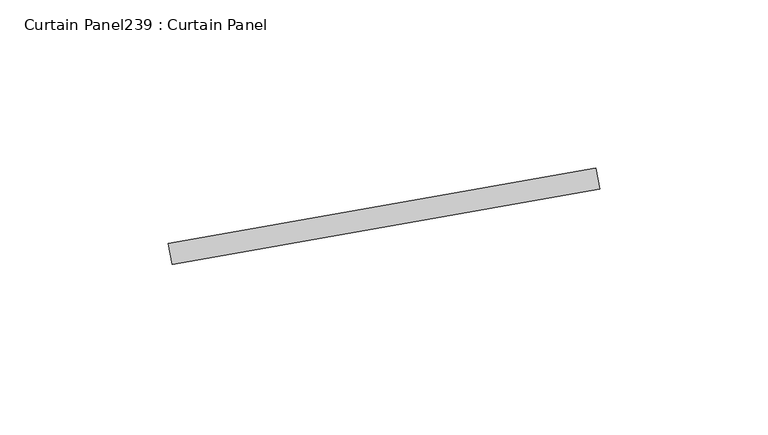
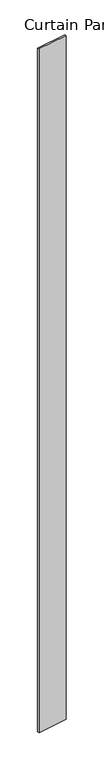
"""IFC4 building model written with IfcOpenShell, lengths in millimetres: plate geometry, Curtain Panel239 : Curtain Panel."""

from ifc_helpers import new_model, si_unit, frame, origin, place, context, project, spatial, polyline, outline, extrude, source, transform, mapped, element, save


def curtain_panel239_curtain_panel_710e1646(model_context):
    return source(origin(), model_context, "Body", "SweptSolid", [
        extrude(outline(polyline([(646662.3287302, 2141.9317693), (646789.2204826, 2164.3062089), (646790.3231486, 2158.0526796), (646663.4313962, 2135.67824), (646662.3287302, 2141.9317693)])), frame((0.0, 0.0, 4959.7989371), z_axis=(0.0, 0.0, 1.0), x_axis=(1.0, 0.0, 0.0)), (0.0, 0.0, 1.0), 3048.0),
    ])


if __name__ == "__main__":
    model = new_model("IFC4")
    model_context = context("Model", 3, world=origin())
    ifc_project = project(units=[si_unit("LENGTHUNIT", "METRE", prefix="MILLI")], contexts=[model_context])
    site = spatial("IfcSite", under=ifc_project)
    building = spatial("IfcBuilding", under=site)
    placement = place(None, origin())
    curtain_panel239_curtain_panel_shape = curtain_panel239_curtain_panel_710e1646(model_context)
    element("IfcPlate", 1, ObjectType="Curtain Panel239 : Curtain Panel", at=placement, inside=building, context=model_context, shape_type="MappedRepresentation", body=[
        mapped(curtain_panel239_curtain_panel_shape, transform((0.0, 0.0, 0.0), x_axis=(1.0, 0.0, 0.0), y_axis=(0.0, 1.0, 0.0), z_axis=(0.0, 0.0, 1.0))),
    ])
    save(model, "model.ifc")
